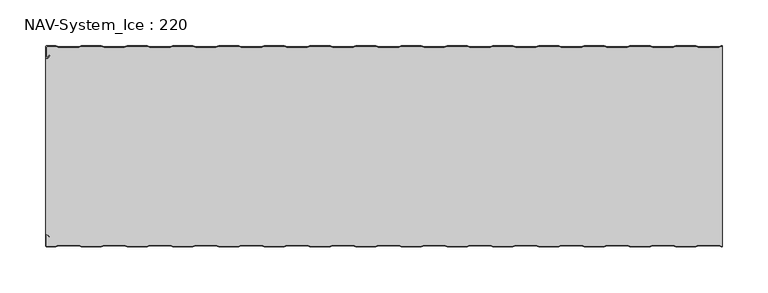
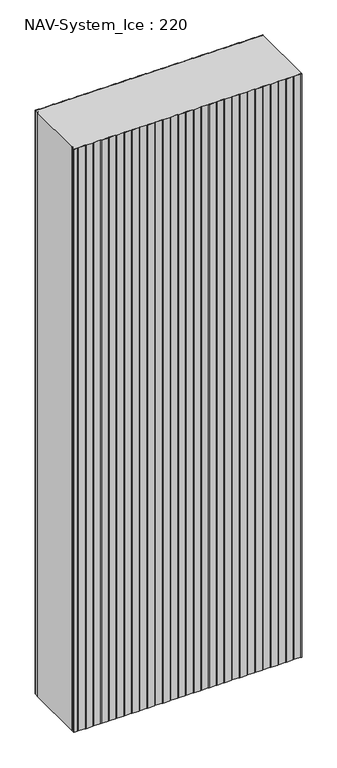
"""IFC4 building model written with IfcOpenShell, lengths in millimetres: plate geometry, NAV-System_Ice : 220."""

from ifc_helpers import new_model, si_unit, point, frame_2d, origin, origin_with_axes, place, context, project, spatial, polyline, circle_curve, trimmed, segment, composite_curve, outline, extrude, source, transform, mapped, element, save


def nav_system_ice_220_587b01dc(model_context):
    return source(origin(), model_context, "Body", "SweptSolid", [
        extrude(outline(composite_curve([segment(polyline([(369.1298221, -0.8), (366.1298221, -1.8), (343.8701779, -1.8), (340.8701779, -0.8), (319.1298221, -0.8), (316.1298221, -1.8), (293.8701779, -1.8), (290.8701779, -0.8), (269.1298221, -0.8), (266.1298221, -1.8), (243.8701779, -1.8), (240.8701779, -0.8), (219.1298221, -0.8), (216.1298221, -1.8), (193.8701779, -1.8), (190.8701779, -0.8), (169.1298221, -0.8), (166.1298221, -1.8), (143.8701779, -1.8), (140.8701779, -0.8), (119.1298221, -0.8), (116.1298221, -1.8), (93.8701779, -1.8), (90.8701779, -0.8), (69.1298221, -0.8), (66.1298221, -1.8), (43.8701779, -1.8), (40.8701779, -0.8), (19.1298221, -0.8), (16.1298221, -1.8), (-6.1298221, -1.8), (-9.1298221, -0.8), (-30.8701779, -0.8), (-33.8701779, -1.8), (-56.1298221, -1.8), (-59.1298221, -0.8), (-80.8701779, -0.8), (-83.8701779, -1.8), (-106.1298221, -1.8), (-109.1298221, -0.8), (-130.8701779, -0.8), (-133.8701779, -1.8), (-156.1298221, -1.8), (-159.1298221, -0.8), (-180.8701779, -0.8), (-183.8701779, -1.8), (-206.1298221, -1.8), (-209.1298221, -0.8), (-230.8701779, -0.8), (-233.8701779, -1.8), (-256.1298221, -1.8), (-259.1298221, -0.8), (-280.8701779, -0.8), (-283.8701779, -1.8), (-306.1298221, -1.8), (-309.1298221, -0.8), (-330.8701779, -0.8), (-333.8701779, -1.8), (-356.1298221, -1.8), (-359.1298221, -0.8), (-368.7, -0.8)]), True, "CONTINUOUS"), segment(trimmed(circle_curve(frame_2d((-368.7, -1.3)), 0.5), [point((-368.7, -0.8))], [point((-369.2, -1.3))], True, "CARTESIAN"), True, "CONTINUOUS"), segment(polyline([(-369.2, -1.3), (-369.2, -12.5857864)]), True, "CONTINUOUS"), segment(trimmed(circle_curve(frame_2d((-368.7, -12.5857864)), 0.5), [point((-369.2, -12.5857864))], [point((-368.3464466, -12.9393398))], True, "CARTESIAN"), True, "CONTINUOUS"), segment(polyline([(-368.3464466, -12.9393398), (-365.9205321, -10.5134253), (-365.3548467, -11.0791108), (-367.7807612, -13.5050253)]), True, "CONTINUOUS"), segment(trimmed(circle_curve(frame_2d((-368.7, -12.5857864)), 1.3), [point((-367.7807612, -13.5050253))], [point((-370.0, -12.5857864))], False, "CARTESIAN"), True, "CONTINUOUS"), segment(polyline([(-370.0, -12.5857864), (-370.0, -1.3)]), True, "CONTINUOUS"), segment(trimmed(circle_curve(frame_2d((-368.7, -1.3)), 1.3), [point((-370.0, -1.3))], [point((-368.7, 0.0))], False, "CARTESIAN"), True, "CONTINUOUS"), segment(polyline([(-368.7, 0.0), (-359.0, 0.0), (-356.0, -1.0), (-334.0, -1.0), (-331.0, 0.0), (-309.0, 0.0), (-306.0, -1.0), (-284.0, -1.0), (-281.0, 0.0), (-259.0, 0.0), (-256.0, -1.0), (-234.0, -1.0), (-231.0, 0.0), (-209.0, 0.0), (-206.0, -1.0), (-184.0, -1.0), (-181.0, 0.0), (-159.0, 0.0), (-156.0, -1.0), (-134.0, -1.0), (-131.0, 0.0), (-109.0, 0.0), (-106.0, -1.0), (-84.0, -1.0), (-81.0, 0.0), (-59.0, 0.0), (-56.0, -1.0), (-34.0, -1.0), (-31.0, 0.0), (-9.0, 0.0), (-6.0, -1.0), (16.0, -1.0), (19.0, 0.0), (41.0, 0.0), (44.0, -1.0), (66.0, -1.0), (69.0, 0.0), (91.0, 0.0), (94.0, -1.0), (116.0, -1.0), (119.0, 0.0), (141.0, 0.0), (144.0, -1.0), (166.0, -1.0), (169.0, 0.0), (191.0, 0.0), (194.0, -1.0), (216.0, -1.0), (219.0, 0.0), (241.0, 0.0), (244.0, -1.0), (266.0, -1.0), (269.0, 0.0), (291.0, 0.0), (294.0, -1.0), (316.0, -1.0), (319.0, 0.0), (341.0, 0.0), (344.0, -1.0), (366.0, -1.0), (369.0, 0.0), (370.0, 0.0), (370.0, -0.8), (369.1298221, -0.8)]), True, "CONTINUOUS")], self_intersect=False)), origin_with_axes(), (0.0, 0.0, 1.0), 2000.0),
        extrude(outline(composite_curve([segment(polyline([(369.1298221, -219.2), (366.1298221, -218.2), (343.8701779, -218.2), (340.8701779, -219.2), (319.1298221, -219.2), (316.1298221, -218.2), (293.8701779, -218.2), (290.8701779, -219.2), (269.1298221, -219.2), (266.1298221, -218.2), (243.8701779, -218.2), (240.8701779, -219.2), (219.1298221, -219.2), (216.1298221, -218.2), (193.8701779, -218.2), (190.8701779, -219.2), (169.1298221, -219.2), (166.1298221, -218.2), (143.8701779, -218.2), (140.8701779, -219.2), (119.1298221, -219.2), (116.1298221, -218.2), (93.8701779, -218.2), (90.8701779, -219.2), (69.1298221, -219.2), (66.1298221, -218.2), (43.8701779, -218.2), (40.8701779, -219.2), (19.1298221, -219.2), (16.1298221, -218.2), (-6.1298221, -218.2), (-9.1298221, -219.2), (-30.8701779, -219.2), (-33.8701779, -218.2), (-56.1298221, -218.2), (-59.1298221, -219.2), (-80.8701779, -219.2), (-83.8701779, -218.2), (-106.1298221, -218.2), (-109.1298221, -219.2), (-130.8701779, -219.2), (-133.8701779, -218.2), (-156.1298221, -218.2), (-159.1298221, -219.2), (-180.8701779, -219.2), (-183.8701779, -218.2), (-206.1298221, -218.2), (-209.1298221, -219.2), (-230.8701779, -219.2), (-233.8701779, -218.2), (-256.1298221, -218.2), (-259.1298221, -219.2), (-280.8701779, -219.2), (-283.8701779, -218.2), (-306.1298221, -218.2), (-309.1298221, -219.2), (-330.8701779, -219.2), (-333.8701779, -218.2), (-356.1298221, -218.2), (-359.1298221, -219.2), (-368.7, -219.2)]), True, "CONTINUOUS"), segment(trimmed(circle_curve(frame_2d((-368.7, -218.7)), 0.5), [point((-368.7, -219.2))], [point((-369.2, -218.7))], False, "CARTESIAN"), True, "CONTINUOUS"), segment(polyline([(-369.2, -218.7), (-369.2, -207.4142136)]), True, "CONTINUOUS"), segment(trimmed(circle_curve(frame_2d((-368.7, -207.4142136)), 0.5), [point((-369.2, -207.4142136))], [point((-368.3464466, -207.0606602))], False, "CARTESIAN"), True, "CONTINUOUS"), segment(polyline([(-368.3464466, -207.0606602), (-365.9205321, -209.4865747), (-365.3548467, -208.9208892), (-367.7807612, -206.4949747)]), True, "CONTINUOUS"), segment(trimmed(circle_curve(frame_2d((-368.7, -207.4142136)), 1.3), [point((-367.7807612, -206.4949747))], [point((-368.7, -206.1142136))], True, "CARTESIAN"), True, "CONTINUOUS"), segment(polyline([(-368.7, -206.1142136), (-370.0, -206.1142136), (-370.0, -13.8857864), (-368.7, -13.8857864)]), True, "CONTINUOUS"), segment(trimmed(circle_curve(frame_2d((-368.7, -12.5857864)), 1.3), [point((-368.7, -13.8857864))], [point((-367.7807612, -13.5050253))], True, "CARTESIAN"), True, "CONTINUOUS"), segment(polyline([(-367.7807612, -13.5050253), (-365.3548467, -11.0791108), (-365.9205321, -10.5134253), (-368.3464466, -12.9393398)]), True, "CONTINUOUS"), segment(trimmed(circle_curve(frame_2d((-368.7, -12.5857864)), 0.5), [point((-368.3464466, -12.9393398))], [point((-369.2, -12.5857864))], False, "CARTESIAN"), True, "CONTINUOUS"), segment(polyline([(-369.2, -12.5857864), (-369.2, -1.3)]), True, "CONTINUOUS"), segment(trimmed(circle_curve(frame_2d((-368.7, -1.3)), 0.5), [point((-369.2, -1.3))], [point((-368.7, -0.8))], False, "CARTESIAN"), True, "CONTINUOUS"), segment(polyline([(-368.7, -0.8), (-359.1298221, -0.8), (-356.1298221, -1.8), (-333.8701779, -1.8), (-330.8701779, -0.8), (-309.1298221, -0.8), (-306.1298221, -1.8), (-283.8701779, -1.8), (-280.8701779, -0.8), (-259.1298221, -0.8), (-256.1298221, -1.8), (-233.8701779, -1.8), (-230.8701779, -0.8), (-209.1298221, -0.8), (-206.1298221, -1.8), (-183.8701779, -1.8), (-180.8701779, -0.8), (-159.1298221, -0.8), (-156.1298221, -1.8), (-133.8701779, -1.8), (-130.8701779, -0.8), (-109.1298221, -0.8), (-106.1298221, -1.8), (-83.8701779, -1.8), (-80.8701779, -0.8), (-59.1298221, -0.8), (-56.1298221, -1.8), (-33.8701779, -1.8), (-30.8701779, -0.8), (-9.1298221, -0.8), (-6.1298221, -1.8), (16.1298221, -1.8), (19.1298221, -0.8), (40.8701779, -0.8), (43.8701779, -1.8), (66.1298221, -1.8), (69.1298221, -0.8), (90.8701779, -0.8), (93.8701779, -1.8), (116.1298221, -1.8), (119.1298221, -0.8), (140.8701779, -0.8), (143.8701779, -1.8), (166.1298221, -1.8), (169.1298221, -0.8), (190.8701779, -0.8), (193.8701779, -1.8), (216.1298221, -1.8), (219.1298221, -0.8), (240.8701779, -0.8), (243.8701779, -1.8), (266.1298221, -1.8), (269.1298221, -0.8), (290.8701779, -0.8), (293.8701779, -1.8), (316.1298221, -1.8), (319.1298221, -0.8), (340.8701779, -0.8), (343.8701779, -1.8), (366.1298221, -1.8), (369.1298221, -0.8), (370.0, -0.8), (370.0, -219.2), (369.1298221, -219.2)]), True, "CONTINUOUS")], self_intersect=False)), origin_with_axes(), (0.0, 0.0, 1.0), 2000.0),
        extrude(outline(composite_curve([segment(polyline([(369.0, -220.0), (366.0, -219.0), (344.0, -219.0), (341.0, -220.0), (319.0, -220.0), (316.0, -219.0), (294.0, -219.0), (291.0, -220.0), (269.0, -220.0), (266.0, -219.0), (244.0, -219.0), (241.0, -220.0), (219.0, -220.0), (216.0, -219.0), (194.0, -219.0), (191.0, -220.0), (169.0, -220.0), (166.0, -219.0), (144.0, -219.0), (141.0, -220.0), (119.0, -220.0), (116.0, -219.0), (94.0, -219.0), (91.0, -220.0), (69.0, -220.0), (66.0, -219.0), (44.0, -219.0), (41.0, -220.0), (19.0, -220.0), (16.0, -219.0), (-6.0, -219.0), (-9.0, -220.0), (-31.0, -220.0), (-34.0, -219.0), (-56.0, -219.0), (-59.0, -220.0), (-81.0, -220.0), (-84.0, -219.0), (-106.0, -219.0), (-109.0, -220.0), (-131.0, -220.0), (-134.0, -219.0), (-156.0, -219.0), (-159.0, -220.0), (-181.0, -220.0), (-184.0, -219.0), (-206.0, -219.0), (-209.0, -220.0), (-231.0, -220.0), (-234.0, -219.0), (-256.0, -219.0), (-259.0, -220.0), (-281.0, -220.0), (-284.0, -219.0), (-306.0, -219.0), (-309.0, -220.0), (-331.0, -220.0), (-334.0, -219.0), (-356.0, -219.0), (-359.0, -220.0), (-368.7, -220.0)]), True, "CONTINUOUS"), segment(trimmed(circle_curve(frame_2d((-368.7, -218.7)), 1.3), [point((-368.7, -220.0))], [point((-370.0, -218.7))], False, "CARTESIAN"), True, "CONTINUOUS"), segment(polyline([(-370.0, -218.7), (-370.0, -207.4142136)]), True, "CONTINUOUS"), segment(trimmed(circle_curve(frame_2d((-368.7, -207.4142136)), 1.3), [point((-370.0, -207.4142136))], [point((-367.7807612, -206.4949747))], False, "CARTESIAN"), True, "CONTINUOUS"), segment(polyline([(-367.7807612, -206.4949747), (-365.3548467, -208.9208892), (-365.9205321, -209.4865747), (-368.3464466, -207.0606602)]), True, "CONTINUOUS"), segment(trimmed(circle_curve(frame_2d((-368.7, -207.4142136)), 0.5), [point((-368.3464466, -207.0606602))], [point((-369.2, -207.4142136))], True, "CARTESIAN"), True, "CONTINUOUS"), segment(polyline([(-369.2, -207.4142136), (-369.2, -218.7)]), True, "CONTINUOUS"), segment(trimmed(circle_curve(frame_2d((-368.7, -218.7)), 0.5), [point((-369.2, -218.7))], [point((-368.7, -219.2))], True, "CARTESIAN"), True, "CONTINUOUS"), segment(polyline([(-368.7, -219.2), (-359.1298221, -219.2), (-356.1298221, -218.2), (-333.8701779, -218.2), (-330.8701779, -219.2), (-309.1298221, -219.2), (-306.1298221, -218.2), (-283.8701779, -218.2), (-280.8701779, -219.2), (-259.1298221, -219.2), (-256.1298221, -218.2), (-233.8701779, -218.2), (-230.8701779, -219.2), (-209.1298221, -219.2), (-206.1298221, -218.2), (-183.8701779, -218.2), (-180.8701779, -219.2), (-159.1298221, -219.2), (-156.1298221, -218.2), (-133.8701779, -218.2), (-130.8701779, -219.2), (-109.1298221, -219.2), (-106.1298221, -218.2), (-83.8701779, -218.2), (-80.8701779, -219.2), (-59.1298221, -219.2), (-56.1298221, -218.2), (-33.8701779, -218.2), (-30.8701779, -219.2), (-9.1298221, -219.2), (-6.1298221, -218.2), (16.1298221, -218.2), (19.1298221, -219.2), (40.8701779, -219.2), (43.8701779, -218.2), (66.1298221, -218.2), (69.1298221, -219.2), (90.8701779, -219.2), (93.8701779, -218.2), (116.1298221, -218.2), (119.1298221, -219.2), (140.8701779, -219.2), (143.8701779, -218.2), (166.1298221, -218.2), (169.1298221, -219.2), (190.8701779, -219.2), (193.8701779, -218.2), (216.1298221, -218.2), (219.1298221, -219.2), (240.8701779, -219.2), (243.8701779, -218.2), (266.1298221, -218.2), (269.1298221, -219.2), (290.8701779, -219.2), (293.8701779, -218.2), (316.1298221, -218.2), (319.1298221, -219.2), (340.8701779, -219.2), (343.8701779, -218.2), (366.1298221, -218.2), (369.1298221, -219.2), (370.0, -219.2), (370.0, -220.0), (369.0, -220.0)]), True, "CONTINUOUS")], self_intersect=False)), origin_with_axes(), (0.0, 0.0, 1.0), 2000.0),
    ])


if __name__ == "__main__":
    model = new_model("IFC4")
    model_context = context("Model", 3, world=origin())
    ifc_project = project(units=[si_unit("LENGTHUNIT", "METRE", prefix="MILLI")], contexts=[model_context])
    site = spatial("IfcSite", under=ifc_project)
    building = spatial("IfcBuilding", under=site)
    placement = place(None, origin())
    nav_system_ice_220_shape = nav_system_ice_220_587b01dc(model_context)
    element("IfcPlate", 1, ObjectType="NAV-System_Ice : 220", at=placement, inside=building, context=model_context, shape_type="MappedRepresentation", body=[
        mapped(nav_system_ice_220_shape, transform((0.0, 0.0, 0.0), x_axis=(1.0, 0.0, 0.0), y_axis=(0.0, 1.0, 0.0), z_axis=(0.0, 0.0, 1.0))),
    ])
    save(model, "model.ifc")
